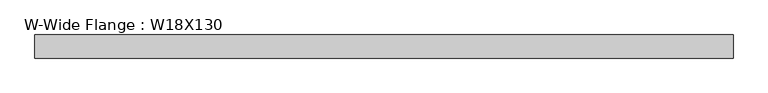
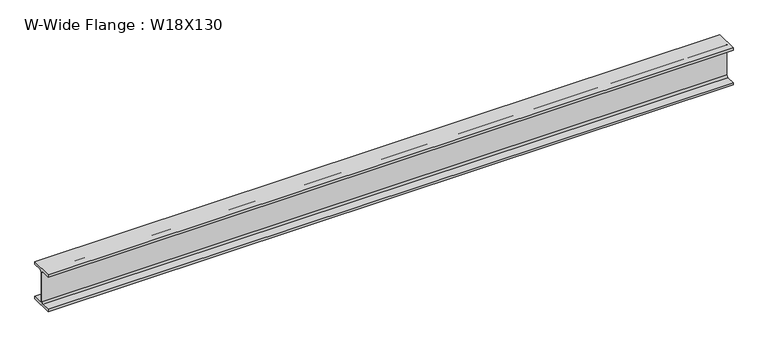
"""IFC4 building model written with IfcOpenShell, lengths in millimetres: beam geometry, W-Wide Flange : W18X130."""

from ifc_helpers import new_model, si_unit, point, frame, frame_2d, origin, place, context, project, spatial, polyline, circle_curve, trimmed, segment, composite_curve, outline, extrude, source, transform, mapped, element, save


def w_wide_flange_w18x130_5dee8b35(model_context):
    return source(origin(), model_context, "Body", "SweptSolid", [
        extrude(outline(composite_curve([segment(polyline([(142.24, -214.63), (142.24, -245.11), (-142.24, -245.11), (-142.24, -214.63), (-30.4165, -214.63)]), True, "CONTINUOUS"), segment(trimmed(circle_curve(frame_2d((-30.4165, -192.7225)), 21.9075), [point((-30.4165, -214.63))], [point((-8.509, -192.7225))], True, "CARTESIAN"), True, "CONTINUOUS"), segment(polyline([(-8.509, -192.7225), (-8.509, 192.7225)]), True, "CONTINUOUS"), segment(trimmed(circle_curve(frame_2d((-30.4165, 192.7225)), 21.9075), [point((-8.509, 192.7225))], [point((-30.4165, 214.63))], True, "CARTESIAN"), True, "CONTINUOUS"), segment(polyline([(-30.4165, 214.63), (-142.24, 214.63), (-142.24, 245.11), (142.24, 245.11), (142.24, 214.63), (30.4165, 214.63)]), True, "CONTINUOUS"), segment(trimmed(circle_curve(frame_2d((30.4165, 192.7225)), 21.9075), [point((30.4165, 214.63))], [point((8.509, 192.7225))], True, "CARTESIAN"), True, "CONTINUOUS"), segment(polyline([(8.509, 192.7225), (8.509, -192.7225)]), True, "CONTINUOUS"), segment(trimmed(circle_curve(frame_2d((30.4165, -192.7225)), 21.9075), [point((8.509, -192.7225))], [point((30.4165, -214.63))], True, "CARTESIAN"), True, "CONTINUOUS"), segment(polyline([(30.4165, -214.63), (142.24, -214.63)]), True, "CONTINUOUS")], self_intersect=False)), frame((-4306.2145668, 0.0, 0.0), z_axis=(1.0, 0.0, 0.0), x_axis=(0.0, 1.0, 0.0)), (0.0, 0.0, 1.0), 8584.7281862),
    ])


if __name__ == "__main__":
    model = new_model("IFC4")
    model_context = context("Model", 3, world=origin())
    ifc_project = project(units=[si_unit("LENGTHUNIT", "METRE", prefix="MILLI")], contexts=[model_context])
    site = spatial("IfcSite", under=ifc_project)
    building = spatial("IfcBuilding", under=site)
    placement = place(None, origin())
    w_wide_flange_w18x130_shape = w_wide_flange_w18x130_5dee8b35(model_context)
    element("IfcBeam", 1, ObjectType="W-Wide Flange : W18X130", at=placement, inside=building, context=model_context, shape_type="MappedRepresentation", body=[
        mapped(w_wide_flange_w18x130_shape, transform((0.0, 0.0, 0.0), x_axis=(1.0, 0.0, 0.0), y_axis=(0.0, 1.0, 0.0), z_axis=(0.0, 0.0, 1.0))),
    ])
    save(model, "model.ifc")
